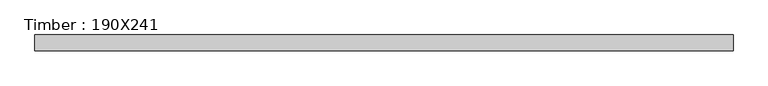
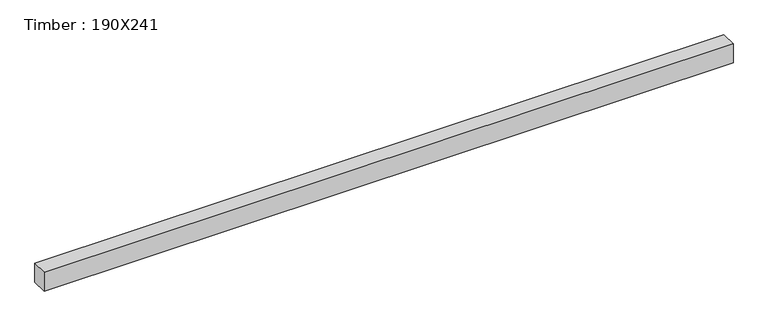
"""IFC4 building model written with IfcOpenShell, lengths in millimetres: beam geometry, Timber : 190X241."""

from ifc_helpers import new_model, si_unit, frame, origin, place, context, project, spatial, polyline, outline, extrude, source, transform, mapped, element, save


def timber_190x241_d50fc171(model_context):
    return source(origin(), model_context, "Body", "SweptSolid", [
        extrude(outline(polyline([(4150.0, 95.0), (4150.0, -95.0), (-4150.0, -95.0), (-4150.0, 95.0), (4150.0, 95.0)])), frame((0.0, 0.0, -120.5), z_axis=(0.0, 0.0, 1.0), x_axis=(1.0, 0.0, 0.0)), (0.0, 0.0, 1.0), 241.0),
    ])


if __name__ == "__main__":
    model = new_model("IFC4")
    model_context = context("Model", 3, world=origin())
    ifc_project = project(units=[si_unit("LENGTHUNIT", "METRE", prefix="MILLI")], contexts=[model_context])
    site = spatial("IfcSite", under=ifc_project)
    building = spatial("IfcBuilding", under=site)
    placement = place(None, origin())
    timber_190x241_shape = timber_190x241_d50fc171(model_context)
    element("IfcBeam", 1, ObjectType="Timber : 190X241", at=placement, inside=building, context=model_context, shape_type="MappedRepresentation", body=[
        mapped(timber_190x241_shape, transform((0.0, 0.0, 0.0), x_axis=(1.0, 0.0, 0.0), y_axis=(0.0, 1.0, 0.0), z_axis=(0.0, 0.0, 1.0))),
    ])
    save(model, "model.ifc")
